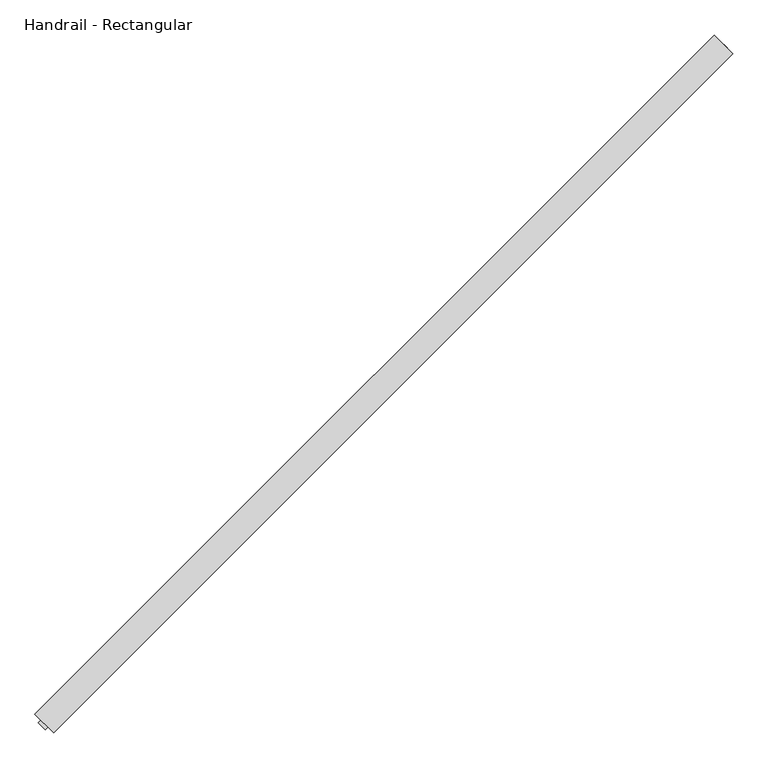
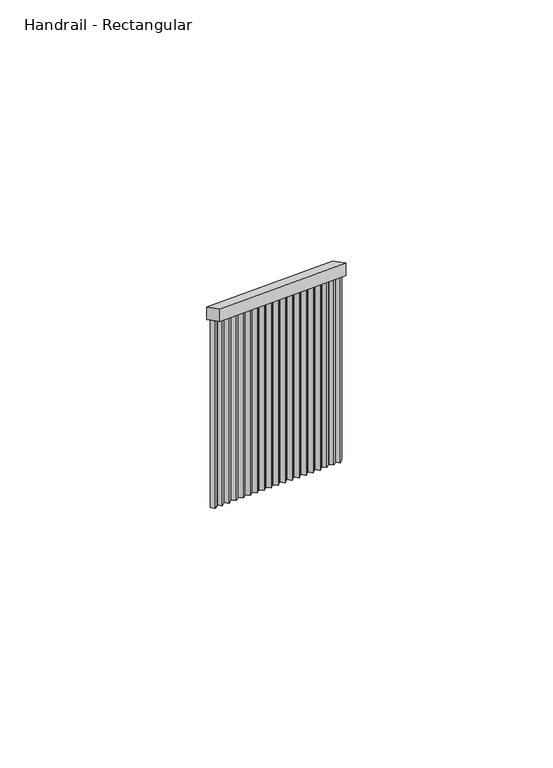
"""IFC4 building model written with IfcOpenShell, lengths in millimetres: railing geometry, Handrail - Rectangular."""

from ifc_helpers import new_model, si_unit, frame, origin, place, context, project, spatial, polyline, outline, extrude, source, transform, mapped, element, save


def handrail_rectangular_ce2edf6c(model_context):
    return source(origin(), model_context, "Body", "SweptSolid", [
        extrude(outline(polyline([(-28.5226862, -50.8), (0.0, 0.0), (2100.3521645, 0.0), (2071.8294782, -50.8), (-28.5226862, -50.8)])), frame((-3418.8415046, -1057.8869688, 1089.6943486), z_axis=(-0.7071067811865491, 0.7071067811865459, 0.0), x_axis=(-0.6165680939644764, -0.6165680939644792, 0.4895789732106779)), (0.0, 0.0, 1.0), 50.8),
        extrude(outline(polyline([(223.2519963, 19.05), (1084.7403773, 19.05), (1084.7403773, 0.0), (233.9480036, 0.0), (223.2519963, 19.05)])), frame((-4716.4885141, -2333.083338, 2286.8514302), z_axis=(-0.7071067811865491, 0.707106781186546, 0.0), x_axis=(0.0, 0.0, -1.0)), (0.0, 0.0, 1.0), 19.05),
        extrude(outline(polyline([(223.2519963, 19.05), (1084.7403774, 19.05), (1084.7403774, 0.0), (233.9480037, 0.0), (223.2519963, 19.05)])), frame((-4644.6464651, -2261.241289, 2229.8060578), z_axis=(-0.7071067811865491, 0.707106781186546, 0.0), x_axis=(0.0, 0.0, -1.0)), (0.0, 0.0, 1.0), 19.05),
        extrude(outline(polyline([(223.2519963, 19.05), (1084.7403773, 19.05), (1084.7403773, 0.0), (233.9480036, 0.0), (223.2519963, 19.05)])), frame((-4572.8044162, -2189.39924, 2172.7606853), z_axis=(-0.7071067811865491, 0.707106781186546, 0.0), x_axis=(0.0, 0.0, -1.0)), (0.0, 0.0, 1.0), 19.05),
        extrude(outline(polyline([(223.2519964, 19.05), (1084.7403774, 19.05), (1084.7403774, 0.0), (233.9480037, 0.0), (223.2519964, 19.05)])), frame((-4500.9623672, -2117.5571911, 2115.7153129), z_axis=(-0.7071067811865491, 0.707106781186546, 0.0), x_axis=(0.0, 0.0, -1.0)), (0.0, 0.0, 1.0), 19.05),
        extrude(outline(polyline([(223.2519963, 19.05), (1084.7403774, 19.05), (1084.7403774, 0.0), (233.9480037, 0.0), (223.2519963, 19.05)])), frame((-4429.1203182, -2045.7151421, 2058.6699404), z_axis=(-0.7071067811865491, 0.707106781186546, 0.0), x_axis=(0.0, 0.0, -1.0)), (0.0, 0.0, 1.0), 19.05),
        extrude(outline(polyline([(223.2519963, 19.05), (1084.7403773, 19.05), (1084.7403773, 0.0), (233.9480036, 0.0), (223.2519963, 19.05)])), frame((-4357.2782693, -1973.8730931, 2001.6245679), z_axis=(-0.7071067811865491, 0.707106781186546, 0.0), x_axis=(0.0, 0.0, -1.0)), (0.0, 0.0, 1.0), 19.05),
        extrude(outline(polyline([(223.2519963, 19.05), (1084.7403774, 19.05), (1084.7403774, 0.0), (233.9480037, 0.0), (223.2519963, 19.05)])), frame((-4285.4362203, -1902.0310442, 1944.5791955), z_axis=(-0.7071067811865491, 0.707106781186546, 0.0), x_axis=(0.0, 0.0, -1.0)), (0.0, 0.0, 1.0), 19.05),
        extrude(outline(polyline([(223.2519963, 19.05), (1084.7403773, 19.05), (1084.7403773, 0.0), (233.9480036, 0.0), (223.2519963, 19.05)])), frame((-4213.5941713, -1830.1889952, 1887.533823), z_axis=(-0.7071067811865491, 0.707106781186546, 0.0), x_axis=(0.0, 0.0, -1.0)), (0.0, 0.0, 1.0), 19.05),
        extrude(outline(polyline([(223.2519964, 19.05), (1084.7403774, 19.05), (1084.7403774, 0.0), (233.9480037, 0.0), (223.2519964, 19.05)])), frame((-4141.7521224, -1758.3469462, 1830.4884506), z_axis=(-0.7071067811865491, 0.707106781186546, 0.0), x_axis=(0.0, 0.0, -1.0)), (0.0, 0.0, 1.0), 19.05),
        extrude(outline(polyline([(223.2519963, 19.05), (1084.7403774, 19.05), (1084.7403774, 0.0), (233.9480037, 0.0), (223.2519963, 19.05)])), frame((-4069.9100734, -1686.5048973, 1773.4430781), z_axis=(-0.7071067811865491, 0.707106781186546, 0.0), x_axis=(0.0, 0.0, -1.0)), (0.0, 0.0, 1.0), 19.05),
        extrude(outline(polyline([(223.2519963, 19.05), (1084.7403773, 19.05), (1084.7403773, 0.0), (233.9480036, 0.0), (223.2519963, 19.05)])), frame((-3998.0680244, -1614.6628483, 1716.3977056), z_axis=(-0.7071067811865491, 0.707106781186546, 0.0), x_axis=(0.0, 0.0, -1.0)), (0.0, 0.0, 1.0), 19.05),
        extrude(outline(polyline([(223.2519963, 19.05), (1084.7403774, 19.05), (1084.7403774, 0.0), (233.9480037, 0.0), (223.2519963, 19.05)])), frame((-3926.2259754, -1542.8207993, 1659.3523332), z_axis=(-0.7071067811865491, 0.707106781186546, 0.0), x_axis=(0.0, 0.0, -1.0)), (0.0, 0.0, 1.0), 19.05),
        extrude(outline(polyline([(223.2519963, 19.05), (1084.7403773, 19.05), (1084.7403773, 0.0), (233.9480036, 0.0), (223.2519963, 19.05)])), frame((-3854.3839265, -1470.9787504, 1602.3069607), z_axis=(-0.7071067811865491, 0.707106781186546, 0.0), x_axis=(0.0, 0.0, -1.0)), (0.0, 0.0, 1.0), 19.05),
        extrude(outline(polyline([(223.2519964, 19.05), (1084.7403774, 19.05), (1084.7403774, 0.0), (233.9480037, 0.0), (223.2519964, 19.05)])), frame((-3782.5418775, -1399.1367014, 1545.2615883), z_axis=(-0.7071067811865491, 0.707106781186546, 0.0), x_axis=(0.0, 0.0, -1.0)), (0.0, 0.0, 1.0), 19.05),
        extrude(outline(polyline([(223.2519963, 19.05), (1084.7403774, 19.05), (1084.7403774, 0.0), (233.9480037, 0.0), (223.2519963, 19.05)])), frame((-3710.6998285, -1327.2946524, 1488.2162158), z_axis=(-0.7071067811865491, 0.707106781186546, 0.0), x_axis=(0.0, 0.0, -1.0)), (0.0, 0.0, 1.0), 19.05),
        extrude(outline(polyline([(223.2519963, 19.05), (1084.7403773, 19.05), (1084.7403773, 0.0), (233.9480036, 0.0), (223.2519963, 19.05)])), frame((-3638.8577796, -1255.4526035, 1431.1708433), z_axis=(-0.7071067811865491, 0.707106781186546, 0.0), x_axis=(0.0, 0.0, -1.0)), (0.0, 0.0, 1.0), 19.05),
        extrude(outline(polyline([(223.2519964, 19.05), (1084.7403774, 19.05), (1084.7403774, 0.0), (233.9480037, 0.0), (223.2519964, 19.05)])), frame((-3567.0157306, -1183.6105545, 1374.1254709), z_axis=(-0.7071067811865491, 0.707106781186546, 0.0), x_axis=(0.0, 0.0, -1.0)), (0.0, 0.0, 1.0), 19.05),
        extrude(outline(polyline([(223.2519963, 19.05), (1084.7403773, 19.05), (1084.7403773, 0.0), (233.9480036, 0.0), (223.2519963, 19.05)])), frame((-3495.1736816, -1111.7685055, 1317.0800984), z_axis=(-0.7071067811865491, 0.707106781186546, 0.0), x_axis=(0.0, 0.0, -1.0)), (0.0, 0.0, 1.0), 19.05),
        extrude(outline(polyline([(223.2519964, 19.05), (1084.7403774, 19.05), (1084.7403774, 0.0), (233.9480037, 0.0), (223.2519964, 19.05)])), frame((-4711.6065713, -2328.2013952, 2282.9749784), z_axis=(-0.7071067811865491, 0.707106781186546, 0.0), x_axis=(0.0, 0.0, -1.0)), (0.0, 0.0, 1.0), 19.05),
        extrude(outline(polyline([(223.2519963, 19.05), (1084.7403773, 19.05), (1084.7403773, 0.0), (233.9480036, 0.0), (223.2519963, 19.05)])), frame((-3430.0668248, -1046.6616486, 1265.3827296), z_axis=(-0.7071067811865491, 0.707106781186546, 0.0), x_axis=(0.0, 0.0, -1.0)), (0.0, 0.0, 1.0), 19.05),
    ])


if __name__ == "__main__":
    model = new_model("IFC4")
    model_context = context("Model", 3, world=origin())
    ifc_project = project(units=[si_unit("LENGTHUNIT", "METRE", prefix="MILLI")], contexts=[model_context])
    site = spatial("IfcSite", under=ifc_project)
    building = spatial("IfcBuilding", under=site)
    placement = place(None, origin())
    handrail_rectangular_shape = handrail_rectangular_ce2edf6c(model_context)
    element("IfcRailing", 1, ObjectType="Handrail - Rectangular", at=placement, inside=building, context=model_context, shape_type="MappedRepresentation", body=[
        mapped(handrail_rectangular_shape, transform((0.0, 0.0, 0.0), x_axis=(1.0, 0.0, 0.0), y_axis=(0.0, 1.0, 0.0), z_axis=(0.0, 0.0, 1.0))),
    ])
    save(model, "model.ifc")
